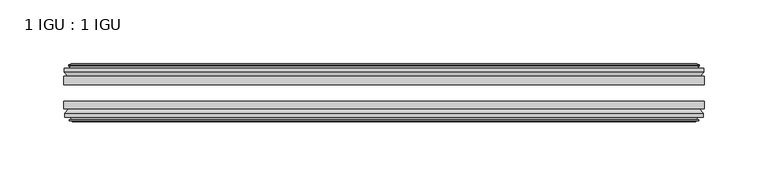
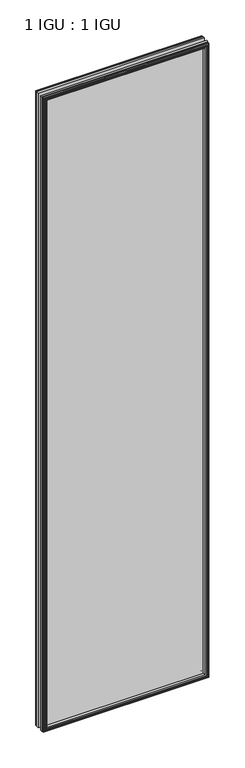
"""IFC4 building model written with IfcOpenShell, lengths in millimetres: plate geometry, 1 IGU : 1 IGU."""

from ifc_helpers import new_model, si_unit, frame, origin, place, context, project, spatial, polyline, outline, extrude, faceted_brep, source, transform, mapped, element, save


def plate_1_igu_1_igu_319989a3(model_context):
    return source(origin(), model_context, "Body", "SolidModel", [
        extrude(outline(polyline([(250.2202881, -25.8960937), (250.2202881, -32.2460938), (-250.2202881, -32.2460938), (-250.2202881, -25.8960937), (250.2202881, -25.8960937)])), frame((0.0, 0.0, -12.7), z_axis=(0.0, 0.0, 1.0), x_axis=(1.0, 0.0, 0.0)), (0.0, 0.0, 1.0), 2019.3),
        extrude(outline(polyline([(-250.2202881, -51.2960938), (-250.2202881, -45.2686737), (250.2202881, -45.2686737), (250.2202881, -51.2960938), (-250.2202881, -51.2960938)])), frame((0.0, 0.0, -12.7), z_axis=(0.0, 0.0, 1.0), x_axis=(1.0, 0.0, 0.0)), (0.0, 0.0, 1.0), 2019.3),
        faceted_brep([(-244.6322881, -60.0262907, 2001.012), (-245.0132881, -57.6460937, 2001.393), (-245.0132881, -57.6460937, -7.493), (-244.6322881, -60.0262907, -7.112), (-246.0478171, -59.5663575, 2002.4275291), (-246.0478171, -59.5663575, -8.5275291), (-246.0478171, -60.3675717, 2002.4275291), (-246.0478171, -60.3675717, -8.5275291), (-243.8702881, -61.0750937, 2000.25), (-243.8702881, -61.0750937, -6.35), (-241.692759, -60.3675717, 1998.072471), (-241.692759, -60.3675717, -4.1724709), (-241.692759, -59.5663575, 1998.072471), (-241.692759, -59.5663575, -4.1724709), (-243.1082881, -60.0262907, 1999.488), (-243.1082881, -60.0262907, -5.588), (-242.7272881, -57.6460937, 1999.107), (-242.7272881, -57.6460937, -5.207), (-235.80257, -51.2960937, 1992.1822819), (-237.5202881, -57.6460937, 1993.9), (-237.5202881, -57.6460937, 0.0), (-235.80257, -51.2960937, 1.7177181), (-249.4582881, -54.6996937, 2005.838), (-246.6239459, -51.2960937, 2003.0036578), (-246.6239459, -51.2960937, -9.1036578), (-249.4582881, -54.6996937, -11.938), (-249.4582881, -57.6460937, 2005.838), (-249.4582881, -57.6460937, -11.938), (245.0132881, -57.6460938, -7.493), (244.6322881, -60.0262907, -7.112), (246.0478171, -59.5663575, -8.5275291), (246.0478171, -60.3675717, -8.5275291), (243.8702881, -61.0750937, -6.35), (241.692759, -60.3675717, -4.1724709), (241.692759, -59.5663575, -4.1724709), (243.1082881, -60.0262907, -5.588), (242.7272881, -57.6460937, -5.207), (237.5202881, -57.6460937, 0.0), (235.80257, -51.2960937, 1.7177181), (246.6239459, -51.2960937, -9.1036578), (249.4582881, -54.6996937, -11.938), (249.4582881, -57.6460938, -11.938), (245.0132881, -57.6460938, 2001.393), (244.6322881, -60.0262907, 2001.012), (246.0478171, -59.5663575, 2002.4275291), (246.0478171, -60.3675717, 2002.4275291), (243.8702881, -61.0750937, 2000.25), (241.692759, -60.3675717, 1998.072471), (241.692759, -59.5663575, 1998.072471), (243.1082881, -60.0262907, 1999.488), (242.7272881, -57.6460937, 1999.107), (237.5202881, -57.6460937, 1993.9), (235.80257, -51.2960937, 1992.1822819), (246.6239459, -51.2960937, 2003.0036578), (249.4582881, -54.6996937, 2005.838), (249.4582881, -57.6460938, 2005.838)], [[[0, 1, 2, 3]], [[4, 0, 3, 5]], [[6, 4, 5, 7]], [[8, 6, 7, 9]], [[10, 8, 9, 11]], [[12, 10, 11, 13]], [[14, 12, 13, 15]], [[16, 14, 15, 17]], [[18, 19, 20, 21]], [[22, 23, 24, 25]], [[26, 22, 25, 27]], [[3, 2, 28, 29]], [[5, 3, 29, 30]], [[7, 5, 30, 31]], [[9, 7, 31, 32]], [[11, 9, 32, 33]], [[13, 11, 33, 34]], [[15, 13, 34, 35]], [[17, 15, 35, 36]], [[21, 20, 37, 38]], [[25, 24, 39, 40]], [[27, 25, 40, 41]], [[29, 28, 42, 43]], [[30, 29, 43, 44]], [[31, 30, 44, 45]], [[32, 31, 45, 46]], [[33, 32, 46, 47]], [[34, 33, 47, 48]], [[35, 34, 48, 49]], [[36, 35, 49, 50]], [[38, 37, 51, 52]], [[40, 39, 53, 54]], [[41, 40, 54, 55]], [[27, 41, 55, 26], [1, 42, 28, 2]], [[43, 42, 1, 0]], [[44, 43, 0, 4]], [[45, 44, 4, 6]], [[46, 45, 6, 8]], [[47, 46, 8, 10]], [[48, 47, 10, 12]], [[49, 48, 12, 14]], [[50, 49, 14, 16]], [[17, 36, 50, 16], [19, 51, 37, 20]], [[52, 51, 19, 18]], [[23, 53, 39, 24], [21, 38, 52, 18]], [[54, 53, 23, 22]], [[55, 54, 22, 26]]]),
        faceted_brep([(-247.1446459, -25.8960937, 2003.5243578), (-249.9789881, -22.4924937, 2006.3587), (-249.9789881, -22.4924937, -12.4587), (-247.1446459, -25.8960937, -9.6243578), (-238.0409881, -19.5460937, 1994.4207), (-236.32327, -25.8960937, 1992.7029819), (-236.32327, -25.8960937, 1.1970181), (-238.0409881, -19.5460937, -0.5207), (-243.6289881, -17.1658968, 2000.0087), (-243.2479881, -19.5460937, 1999.6277), (-243.2479881, -19.5460937, -5.7277), (-243.6289881, -17.1658968, -6.1087), (-242.213459, -17.62583, 1998.593171), (-242.213459, -17.62583, -4.6931709), (-242.213459, -16.8246158, 1998.593171), (-242.213459, -16.8246158, -4.6931709), (-244.3909881, -16.1170937, 2000.7707), (-244.3909881, -16.1170937, -6.8707), (-246.5685171, -16.8246158, 2002.9482291), (-246.5685171, -16.8246158, -9.0482291), (-246.5685171, -17.62583, 2002.9482291), (-246.5685171, -17.62583, -9.0482291), (-245.1529881, -17.1658968, 2001.5327), (-245.1529881, -17.1658968, -7.6327), (-245.5339881, -19.5460937, 2001.9137), (-245.5339881, -19.5460937, -8.0137), (-249.9789881, -19.5460937, 2006.3587), (-249.9789881, -19.5460937, -12.4587), (249.9789881, -22.4924937, -12.4587), (247.1446459, -25.8960937, -9.6243578), (236.32327, -25.8960937, 1.1970181), (238.0409881, -19.5460937, -0.5207), (243.2479881, -19.5460937, -5.7277), (243.6289881, -17.1658968, -6.1087), (242.213459, -17.62583, -4.6931709), (242.213459, -16.8246158, -4.6931709), (244.3909881, -16.1170937, -6.8707), (246.5685171, -16.8246158, -9.0482291), (246.5685171, -17.62583, -9.0482291), (245.1529881, -17.1658968, -7.6327), (245.5339881, -19.5460937, -8.0137), (249.9789881, -19.5460937, -12.4587), (249.9789881, -22.4924937, 2006.3587), (247.1446459, -25.8960937, 2003.5243578), (236.32327, -25.8960937, 1992.7029819), (238.0409881, -19.5460937, 1994.4207), (243.2479881, -19.5460937, 1999.6277), (243.6289881, -17.1658968, 2000.0087), (242.213459, -17.62583, 1998.593171), (242.213459, -16.8246158, 1998.593171), (244.3909881, -16.1170937, 2000.7707), (246.5685171, -16.8246158, 2002.9482291), (246.5685171, -17.62583, 2002.9482291), (245.1529881, -17.1658968, 2001.5327), (245.5339881, -19.5460937, 2001.9137), (249.9789881, -19.5460937, 2006.3587)], [[[0, 1, 2, 3]], [[4, 5, 6, 7]], [[8, 9, 10, 11]], [[12, 8, 11, 13]], [[14, 12, 13, 15]], [[16, 14, 15, 17]], [[18, 16, 17, 19]], [[20, 18, 19, 21]], [[22, 20, 21, 23]], [[24, 22, 23, 25]], [[1, 26, 27, 2]], [[3, 2, 28, 29]], [[7, 6, 30, 31]], [[11, 10, 32, 33]], [[13, 11, 33, 34]], [[15, 13, 34, 35]], [[17, 15, 35, 36]], [[19, 17, 36, 37]], [[21, 19, 37, 38]], [[23, 21, 38, 39]], [[25, 23, 39, 40]], [[2, 27, 41, 28]], [[29, 28, 42, 43]], [[31, 30, 44, 45]], [[33, 32, 46, 47]], [[34, 33, 47, 48]], [[35, 34, 48, 49]], [[36, 35, 49, 50]], [[37, 36, 50, 51]], [[38, 37, 51, 52]], [[39, 38, 52, 53]], [[40, 39, 53, 54]], [[28, 41, 55, 42]], [[43, 42, 1, 0]], [[3, 29, 43, 0], [5, 44, 30, 6]], [[45, 44, 5, 4]], [[9, 46, 32, 10], [7, 31, 45, 4]], [[47, 46, 9, 8]], [[48, 47, 8, 12]], [[49, 48, 12, 14]], [[50, 49, 14, 16]], [[51, 50, 16, 18]], [[52, 51, 18, 20]], [[53, 52, 20, 22]], [[54, 53, 22, 24]], [[26, 55, 41, 27], [25, 40, 54, 24]], [[42, 55, 26, 1]]]),
    ])


if __name__ == "__main__":
    model = new_model("IFC4")
    model_context = context("Model", 3, world=origin())
    ifc_project = project(units=[si_unit("LENGTHUNIT", "METRE", prefix="MILLI")], contexts=[model_context])
    site = spatial("IfcSite", under=ifc_project)
    building = spatial("IfcBuilding", under=site)
    placement = place(None, origin())
    plate_1_igu_1_igu_shape = plate_1_igu_1_igu_319989a3(model_context)
    element("IfcPlate", 1, ObjectType="1 IGU : 1 IGU", at=placement, inside=building, context=model_context, shape_type="MappedRepresentation", body=[
        mapped(plate_1_igu_1_igu_shape, transform((0.0, 0.0, 0.0), x_axis=(1.0, 0.0, 0.0), y_axis=(0.0, 1.0, 0.0), z_axis=(0.0, 0.0, 1.0))),
    ])
    save(model, "model.ifc")
